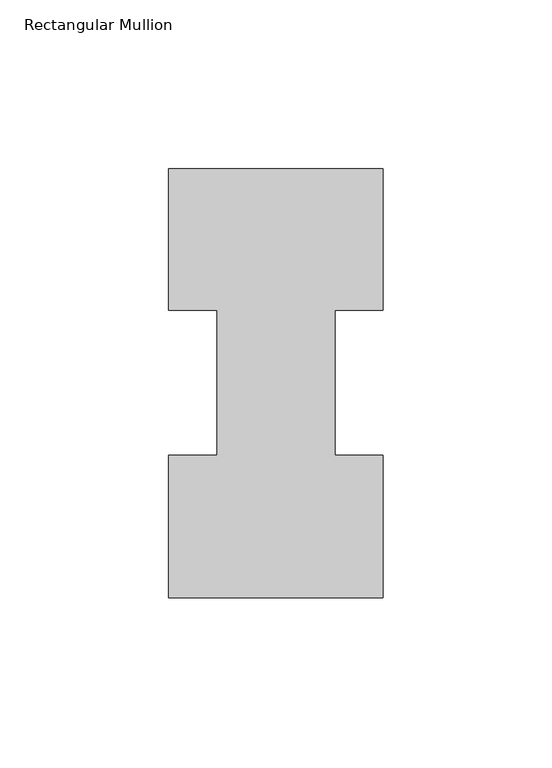
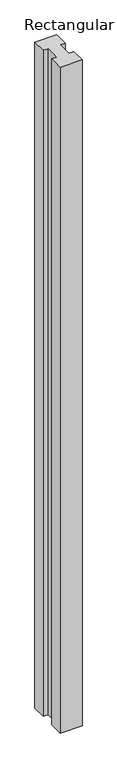
"""IFC4 building model written with IfcOpenShell, lengths in millimetres: member geometry, Rectangular Mullion."""

import ifcopenshell
import ifcopenshell.guid

model = None  # the IFC model being written
_history = None  # IfcOwnerHistory: only IFC2X3 demands one
_inside = {}  # id of a spatial element -> (the spatial element, [elements in it])
_under = {}  # id of a project, library or spatial element -> (it, [spatial elements below it])
_declared = {}  # id of a project -> (the project, [libraries it declares])
_typed = {}  # id of a type object -> (the type object, [elements of that type])
_made_of = {}  # id of a material, layer set ... -> (it, [elements and type objects made of it])


def new_model(schema):
    """Start an empty IFC model of exactly this schema.

    Asked for "IFC4X3", IfcOpenShell would pick the latest addendum, in which some entities
    have other attributes; the version numbers below select the first issue.
    IFC2X3 requires an IfcOwnerHistory on every rooted entity: one is made here for all.
    """
    global model, _history
    if schema == "IFC4X3":
        model = ifcopenshell.file(schema_version=(4, 3, 0, 0))
    else:
        model = ifcopenshell.file(schema=schema)
    _inside.clear()
    _under.clear()
    _declared.clear()
    _typed.clear()
    _made_of.clear()
    _history = None
    if model.schema == "IFC2X3":
        org = make("IfcOrganization", Name="unknown")
        user = make(
            "IfcPersonAndOrganization",
            ThePerson=make("IfcPerson", FamilyName="unknown"),
            TheOrganization=org,
        )
        app = make(
            "IfcApplication",
            ApplicationDeveloper=org,
            Version="unknown",
            ApplicationFullName="unknown",
            ApplicationIdentifier="unknown",
        )
        _history = make(
            "IfcOwnerHistory",
            OwningUser=user,
            OwningApplication=app,
            ChangeAction="ADDED",
            CreationDate=0,
        )
    return model


def make(cls, **values):
    """One entity of the class cls with the attributes given. An attribute that is None is left unset."""
    return model.create_entity(
        cls, **{name: value for name, value in values.items() if value is not None}
    )


def rooted(cls, **values):
    """An entity with a GlobalId (a new one), such as an element, a storey or a relation."""
    return make(cls, GlobalId=ifcopenshell.guid.new(), OwnerHistory=_history, **values)


def si_unit(unit_type, name, prefix=None):
    """IfcSIUnit, for example si_unit("LENGTHUNIT", "METRE", prefix="MILLI")."""
    return make("IfcSIUnit", UnitType=unit_type, Prefix=prefix, Name=name)


def assignment(units):
    """IfcUnitAssignment: the units of a project."""
    return None if units is None else make("IfcUnitAssignment", Units=units)


def point(xyz):
    """IfcCartesianPoint."""
    return None if xyz is None else make("IfcCartesianPoint", Coordinates=xyz)


def direction(xyz):
    """IfcDirection."""
    return None if xyz is None else make("IfcDirection", DirectionRatios=xyz)


def frame(location, z_axis=None, x_axis=None):
    """IfcAxis2Placement3D, a coordinate frame: its origin and axes. An axis left out is left unset."""
    return make(
        "IfcAxis2Placement3D",
        Location=point(location),
        Axis=direction(z_axis),
        RefDirection=direction(x_axis),
    )


def origin():
    """The frame at (0, 0, 0) with its axes left unset."""
    return frame((0.0, 0.0, 0.0))


def place(relative_to, where):
    """IfcLocalPlacement: puts the frame where relative to a parent placement (None: the world)."""
    return make(
        "IfcLocalPlacement", PlacementRelTo=relative_to, RelativePlacement=where
    )


def context(
    kind, dimensions, precision=None, world=None, true_north=None, identifier=None
):
    """IfcGeometricRepresentationContext, for example the 3D "Model" context."""
    return make(
        "IfcGeometricRepresentationContext",
        ContextIdentifier=identifier,
        ContextType=kind,
        CoordinateSpaceDimension=dimensions,
        Precision=precision,
        WorldCoordinateSystem=world,
        TrueNorth=true_north,
    )


def project(units=None, contexts=None):
    """IfcProject with its units and contexts."""
    return rooted(
        "IfcProject",
        Name="project",
        RepresentationContexts=contexts,
        UnitsInContext=assignment(units),
    )


def spatial(cls, under=None, at=None, **own):
    """A site, building, storey or space (cls), placed at a placement, below another one or the project."""
    s = rooted(cls, ObjectPlacement=at, **own)
    if under is not None:
        _under.setdefault(under.id(), (under, []))[1].append(s)
    return s


def polyline(points):
    """IfcPolyline through the points."""
    return make("IfcPolyline", Points=[point(p) for p in points])


def outline(outer, holes=None, kind="AREA"):
    """IfcArbitraryClosedProfileDef: a profile drawn as a closed curve; with holes, ...WithVoids."""
    if holes is None:
        return make("IfcArbitraryClosedProfileDef", ProfileType=kind, OuterCurve=outer)
    return make(
        "IfcArbitraryProfileDefWithVoids",
        ProfileType=kind,
        OuterCurve=outer,
        InnerCurves=holes,
    )


def extrude(swept, where, along, depth):
    """IfcExtrudedAreaSolid: the profile swept, set in the frame where, extruded along a direction by depth."""
    return make(
        "IfcExtrudedAreaSolid",
        SweptArea=swept,
        Position=where,
        ExtrudedDirection=direction(along),
        Depth=depth,
    )


def shape(context_of_items, identifier, shape_type, items):
    """IfcShapeRepresentation: the items that make up one representation, for example the "Body"."""
    return make(
        "IfcShapeRepresentation",
        ContextOfItems=context_of_items,
        RepresentationIdentifier=identifier,
        RepresentationType=shape_type,
        Items=items,
    )


def source(mapping_origin, context_of_items, identifier, shape_type, items):
    """IfcRepresentationMap: a shape defined once, which mapped items show again and again."""
    return make(
        "IfcRepresentationMap",
        MappingOrigin=mapping_origin,
        MappedRepresentation=shape(context_of_items, identifier, shape_type, items),
    )


def transform(
    local_origin,
    x_axis=None,
    y_axis=None,
    z_axis=None,
    scale=None,
    scale2=None,
    scale3=None,
    uniform=True,
):
    """IfcCartesianTransformationOperator3D, or its non-uniform kind. x_axis, y_axis, z_axis: its Axis1, 2, 3."""
    if uniform:
        return make(
            "IfcCartesianTransformationOperator3D",
            Axis1=direction(x_axis),
            Axis2=direction(y_axis),
            LocalOrigin=point(local_origin),
            Scale=scale,
            Axis3=direction(z_axis),
        )
    return make(
        "IfcCartesianTransformationOperator3DnonUniform",
        Axis1=direction(x_axis),
        Axis2=direction(y_axis),
        LocalOrigin=point(local_origin),
        Scale=scale,
        Axis3=direction(z_axis),
        Scale2=scale2,
        Scale3=scale3,
    )


def mapped(mapping_source, mapping_target):
    """IfcMappedItem: shows the shape of a source again, moved by a transform."""
    return make(
        "IfcMappedItem", MappingSource=mapping_source, MappingTarget=mapping_target
    )


def made_of(thing, what):
    """Note that an element or type object is made of a material, layer set ...; save() writes the relation."""
    if what is not None:
        _made_of.setdefault(what.id(), (what, []))[1].append(thing)
    return thing


def element(
    cls,
    number,
    at=None,
    inside=None,
    cuts=None,
    type_object=None,
    material=None,
    context=None,
    identifier="Body",
    shape_type=None,
    held_by="IfcProductDefinitionShape",
    body=None,
    shapes=None,
    **own,
):
    """One element of the class cls, such as IfcWall. Its Tag is "e" and its number.

    at: its placement. inside: the storey or other place that contains it. cuts: it is an
    opening in that element (IfcRelVoidsElement). A single representation is given by context,
    identifier, shape_type and body (its items); several are given by shapes. held_by: the class
    of the entity that holds the representations. save() writes the other relations.
    """
    e = rooted(cls, Tag="e%d" % number, ObjectPlacement=at, **own)
    if body is not None:
        shapes = [shape(context, identifier, shape_type, body)]
    if shapes is not None:
        e.Representation = make(held_by, Representations=shapes)
    if inside is not None:
        _inside.setdefault(inside.id(), (inside, []))[1].append(e)
    if cuts is not None:
        rooted(
            "IfcRelVoidsElement", RelatingBuildingElement=cuts, RelatedOpeningElement=e
        )
    if type_object is not None:
        _typed.setdefault(type_object.id(), (type_object, []))[1].append(e)
    return made_of(e, material)


def aggregate(whole, parts):
    """IfcRelAggregates: a whole, such as a stair, and the parts it consists of."""
    return rooted("IfcRelAggregates", RelatingObject=whole, RelatedObjects=parts)


def save(model, path):
    """Write the relations noted so far, then the file.

    IfcRelAggregates (storeys below a building ...), IfcRelContainedInSpatialStructure (elements
    in a storey), IfcRelDefinesByType, IfcRelAssociatesMaterial and IfcRelDeclares: one each for
    every whole, place, type object, material and project.
    """
    for whole, parts in _under.values():
        aggregate(whole, parts)
    for where, things in _inside.values():
        rooted(
            "IfcRelContainedInSpatialStructure",
            RelatedElements=things,
            RelatingStructure=where,
        )
    for kind, things in _typed.values():
        rooted("IfcRelDefinesByType", RelatedObjects=things, RelatingType=kind)
    for what, things in _made_of.values():
        rooted("IfcRelAssociatesMaterial", RelatedObjects=things, RelatingMaterial=what)
    for by, libraries in _declared.values():
        rooted("IfcRelDeclares", RelatingContext=by, RelatedDefinitions=libraries)
    model.write(path)


def rectangular_mullion_5e5a6eaa(model_context):
    return source(origin(), model_context, "Body", "SweptSolid", [
        extrude(outline(polyline([(31.7494574, 85.1296875), (17.4683074, 85.1296875), (17.4683074, 42.2798875), (31.7494574, 42.2798875), (31.7494574, -0.0111125), (-31.7494574, -0.0111125), (-31.7494574, 42.2798875), (-17.4644974, 42.2798875), (-17.4644974, 85.1296875), (-31.7494574, 85.1296875), (-31.7494574, 126.9888875), (31.7494574, 126.9888875), (31.7494574, 85.1296875)])), frame((0.0, 0.0, -2044.4591858), z_axis=(0.0, 0.0, 1.0), x_axis=(1.0, 0.0, 0.0)), (0.0, 0.0, 1.0), 2044.4591858),
    ])


if __name__ == "__main__":
    model = new_model("IFC4")
    model_context = context("Model", 3, world=origin())
    ifc_project = project(units=[si_unit("LENGTHUNIT", "METRE", prefix="MILLI")], contexts=[model_context])
    site = spatial("IfcSite", under=ifc_project)
    building = spatial("IfcBuilding", under=site)
    placement = place(None, origin())
    rectangular_mullion_shape = rectangular_mullion_5e5a6eaa(model_context)
    element("IfcMember", 1, ObjectType="Rectangular Mullion", at=placement, inside=building, context=model_context, shape_type="MappedRepresentation", body=[
        mapped(rectangular_mullion_shape, transform((0.0, 0.0, 0.0), x_axis=(1.0, 0.0, 0.0), y_axis=(0.0, 1.0, 0.0), z_axis=(0.0, 0.0, 1.0))),
    ])
    save(model, "model.ifc")
